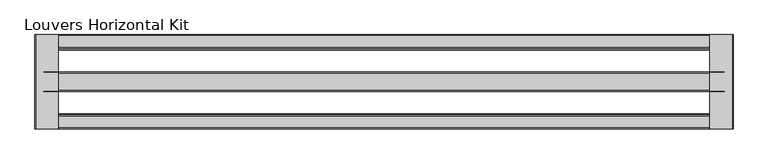
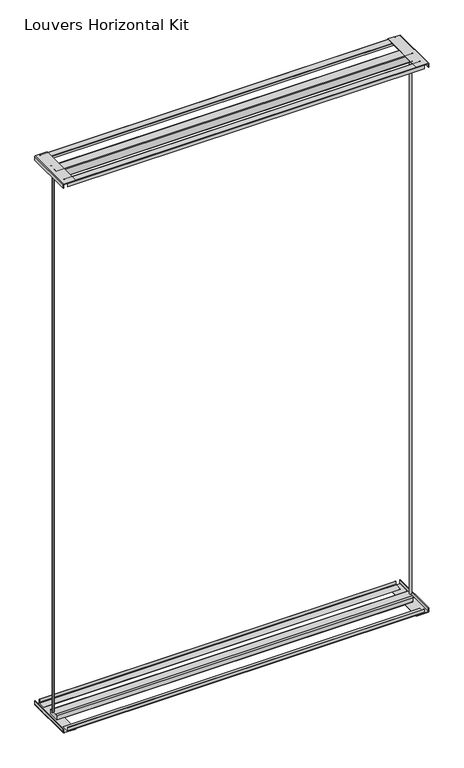
"""IFC4 building model written with IfcOpenShell, lengths in millimetres: proxy geometry, Louvers Horizontal Kit."""

from ifc_helpers import new_model, si_unit, point, frame, frame_2d, origin, place, context, project, spatial, polyline, circle_curve, trimmed, segment, composite_curve, outline, extrude, source, transform, mapped, element, save
from ifc_brep_helpers import plane_surface, extruded_surface, spline_curve, advanced_brep


def louvers_horizontal_kit_1805ac82(model_context):
    return source(origin(), model_context, "Body", "SolidModel", [
        advanced_brep(
        [(-1083.5080688, 120.8643375, 3016.9358), (-1089.8410766, 120.8643375, 3016.9358), (-1083.5080688, 120.8643375, 31.115), (-1089.8410766, 120.8643375, 31.115)],
        [
            (0, 1, spline_curve(3, [(-1083.5080688, 120.8643375, 3016.9358), (-1082.646431651, 120.8643375, 3016.9358), (-1082.892938619, 122.678814497, 3016.9358), (-1082.470795677, 125.557771507, 3016.9358), (-1081.497296601, 126.219830558, 3016.9358), (-1080.193051679, 125.472512128, 3016.9358), (-1079.774695585, 124.437044374, 3016.9358), (-1079.011853267, 122.876749386, 3016.9358), (-1078.672639749, 122.28921433, 3016.9358), (-1078.083039441, 121.966510283, 3016.9358), (-1077.827697432, 122.166468989, 3016.9358), (-1077.688906304, 123.158462727, 3016.9358), (-1077.863673111, 124.030851771, 3016.9358), (-1078.661391369, 125.815290115, 3016.9358), (-1079.403866149, 126.65959334, 3016.9358), (-1081.186815359, 127.456197295, 3016.9358), (-1082.20808438, 127.456197285, 3016.9358), (-1083.891989813, 126.93883953, 3016.9358), (-1084.548862942, 126.413516951, 3016.9358), (-1085.606712359, 124.849776593, 3016.9358), (-1086.031832089, 123.956570953, 3016.9358), (-1086.856038916, 122.979614008, 3016.9358), (-1087.254345323, 122.834642391, 3016.9358), (-1087.865022803, 123.317250084, 3016.9358), (-1088.093448578, 123.690551025, 3016.9358), (-1088.626755292, 124.050596217, 3016.9358), (-1088.91503674, 123.762314832, 3016.9358), (-1090.001641567, 122.082377418, 3016.9358), (-1090.716158108, 120.8643375, 3016.9358), (-1089.8410766, 120.8643375, 3016.9358)], [4, 2, 2, 2, 2, 2, 2, 2, 2, 2, 2, 2, 2, 2, 4], [0.0, 0.008875458975060613, 0.020481200193104176, 0.029854806107422374, 0.03706210961387012, 0.04368861427224201, 0.051259934554953854, 0.06112024851948062, 0.07042349959220107, 0.079869975820476, 0.08715114258611921, 0.09382589082280558, 0.09814811090978548, 0.10456508278359171, 0.1100107556129994])),
            (1, 0),
            (2, 3),
            (3, 2, spline_curve(3, [(-1089.8410766, 120.8643375, 31.115), (-1090.716158108, 120.8643375, 31.115), (-1090.001641567, 122.082377418, 31.115), (-1088.91503674, 123.762314832, 31.115), (-1088.626755292, 124.050596217, 31.115), (-1088.093448578, 123.690551025, 31.115), (-1087.865022803, 123.317250084, 31.115), (-1087.254345323, 122.834642391, 31.115), (-1086.856038916, 122.979614008, 31.115), (-1086.031832089, 123.956570953, 31.115), (-1085.606712359, 124.849776593, 31.115), (-1084.548862942, 126.413516951, 31.115), (-1083.891989813, 126.93883953, 31.115), (-1082.20808438, 127.456197285, 31.115), (-1081.186815359, 127.456197295, 31.115), (-1079.403866149, 126.65959334, 31.115), (-1078.661391369, 125.815290115, 31.115), (-1077.863673111, 124.030851771, 31.115), (-1077.688906304, 123.158462727, 31.115), (-1077.827697432, 122.166468989, 31.115), (-1078.083039441, 121.966510283, 31.115), (-1078.672639749, 122.28921433, 31.115), (-1079.011853267, 122.876749386, 31.115), (-1079.774695585, 124.437044374, 31.115), (-1080.193051679, 125.472512128, 31.115), (-1081.497296601, 126.219830558, 31.115), (-1082.470795677, 125.557771507, 31.115), (-1082.892938619, 122.678814497, 31.115), (-1082.646431651, 120.8643375, 31.115), (-1083.5080688, 120.8643375, 31.115)], [4, 2, 2, 2, 2, 2, 2, 2, 2, 2, 2, 2, 2, 2, 4], [0.0, 0.005445672829407694, 0.011862644703213923, 0.01618486479019382, 0.022859613026880193, 0.0301407797925234, 0.039587256020798336, 0.04889050709351878, 0.05875082105804555, 0.0663221413407574, 0.07294864599912929, 0.08015594950557703, 0.08952955541989523, 0.10113529663793878, 0.1100107556129994])),
            (0, 2),
            (3, 1),
        ],
        [
            plane_surface(frame((-140.5124567, 122.4609375, 3016.9358), z_axis=(0.0, 0.0, 1.0), x_axis=(0.0, -1.0, 0.0))),
            plane_surface(frame((-140.5124567, 122.4609375, 31.115), z_axis=(0.0, 0.0, -1.0), x_axis=(0.0, -1.0, 0.0))),
            extruded_surface(spline_curve(3, [(-1083.5080688, 120.8643375, 31.115), (-1082.646431651, 120.8643375, 31.115), (-1082.892938619, 122.678814497, 31.115), (-1082.470795677, 125.557771507, 31.115), (-1081.497296601, 126.219830558, 31.115), (-1080.193051679, 125.472512128, 31.115), (-1079.774695585, 124.437044374, 31.115), (-1079.011853267, 122.876749386, 31.115), (-1078.672639749, 122.28921433, 31.115), (-1078.083039441, 121.966510283, 31.115), (-1077.827697432, 122.166468989, 31.115), (-1077.688906304, 123.158462727, 31.115), (-1077.863673111, 124.030851771, 31.115), (-1078.661391369, 125.815290115, 31.115), (-1079.403866149, 126.65959334, 31.115), (-1081.186815359, 127.456197295, 31.115), (-1082.20808438, 127.456197285, 31.115), (-1083.891989813, 126.93883953, 31.115), (-1084.548862942, 126.413516951, 31.115), (-1085.606712359, 124.849776593, 31.115), (-1086.031832089, 123.956570953, 31.115), (-1086.856038916, 122.979614008, 31.115), (-1087.254345323, 122.834642391, 31.115), (-1087.865022803, 123.317250084, 31.115), (-1088.093448578, 123.690551025, 31.115), (-1088.626755292, 124.050596217, 31.115), (-1088.91503674, 123.762314832, 31.115), (-1090.001641567, 122.082377418, 31.115), (-1090.716158108, 120.8643375, 31.115), (-1089.8410766, 120.8643375, 31.115)], [4, 2, 2, 2, 2, 2, 2, 2, 2, 2, 2, 2, 2, 2, 4], [0.0, 0.008875458975060613, 0.020481200193104176, 0.029854806107422374, 0.03706210961387012, 0.04368861427224201, 0.051259934554953854, 0.06112024851948062, 0.07042349959220107, 0.079869975820476, 0.08715114258611921, 0.09382589082280558, 0.09814811090978548, 0.10456508278359171, 0.1100107556129994]), (0.0, 0.0, 2985.8208000000004), 2985.8208000000004),
            plane_surface(frame((-1089.8410766, 120.8643375, 3016.9358), z_axis=(0.0, -1.0, 0.0), x_axis=(0.0, 0.0, -1.0))),
        ],
        [
            (0, [[1, 2]]),
            (1, [[3, 4]]),
            (2, [[-1, 5, -4, 6]]),
            (3, [[-2, -6, -3, -5]]),
        ],
    ),
        advanced_brep(
        [(802.4582152, 124.0575375, 3016.9358), (808.7912229, 124.0575375, 3016.9358), (802.4582152, 124.0575375, 31.115), (808.7912229, 124.0575375, 31.115)],
        [
            (0, 1, spline_curve(3, [(802.4582152, 124.0575375, 3016.9358), (801.596578051, 124.0575375, 3016.9358), (801.843085019, 122.243060503, 3016.9358), (801.420942077, 119.364103493, 3016.9358), (800.447443001, 118.702044442, 3016.9358), (799.143198079, 119.449362872, 3016.9358), (798.724841985, 120.484830626, 3016.9358), (797.961999667, 122.045125614, 3016.9358), (797.622786149, 122.63266067, 3016.9358), (797.033185841, 122.955364717, 3016.9358), (796.777843832, 122.755406011, 3016.9358), (796.639052704, 121.763412273, 3016.9358), (796.813819511, 120.891023229, 3016.9358), (797.611537769, 119.106584885, 3016.9358), (798.354012549, 118.26228166, 3016.9358), (800.136961759, 117.465677705, 3016.9358), (801.15823078, 117.465677715, 3016.9358), (802.842136213, 117.98303547, 3016.9358), (803.499009342, 118.508358049, 3016.9358), (804.556858759, 120.072098407, 3016.9358), (804.981978489, 120.965304047, 3016.9358), (805.806185316, 121.942260992, 3016.9358), (806.204491723, 122.087232609, 3016.9358), (806.815169203, 121.604624916, 3016.9358), (807.043594978, 121.231323975, 3016.9358), (807.576901692, 120.871278783, 3016.9358), (807.86518304, 121.159560168, 3016.9358), (808.951787867, 122.839497582, 3016.9358), (809.666304408, 124.0575375, 3016.9358), (808.7912229, 124.0575375, 3016.9358)], [4, 2, 2, 2, 2, 2, 2, 2, 2, 2, 2, 2, 2, 2, 4], [0.0, 0.008875458975060613, 0.020481200193104176, 0.029854806107422374, 0.03706210961387012, 0.04368861427224201, 0.051259934554953854, 0.06112024851948062, 0.07042349959220107, 0.079869975820476, 0.08715114258611921, 0.09382589082280558, 0.09814811090978548, 0.10456508278359171, 0.1100107556129994])),
            (1, 0),
            (2, 3),
            (3, 2, spline_curve(3, [(808.7912229, 124.0575375, 31.115), (809.666304408, 124.0575375, 31.115), (808.951787867, 122.839497582, 31.115), (807.86518304, 121.159560168, 31.115), (807.576901692, 120.871278783, 31.115), (807.043594978, 121.231323975, 31.115), (806.815169203, 121.604624916, 31.115), (806.204491723, 122.087232609, 31.115), (805.806185316, 121.942260992, 31.115), (804.981978489, 120.965304047, 31.115), (804.556858759, 120.072098407, 31.115), (803.499009342, 118.508358049, 31.115), (802.842136213, 117.98303547, 31.115), (801.15823078, 117.465677715, 31.115), (800.136961759, 117.465677705, 31.115), (798.354012549, 118.26228166, 31.115), (797.611537769, 119.106584885, 31.115), (796.813819511, 120.891023229, 31.115), (796.639052704, 121.763412273, 31.115), (796.777843832, 122.755406011, 31.115), (797.033185841, 122.955364717, 31.115), (797.622786149, 122.63266067, 31.115), (797.961999667, 122.045125614, 31.115), (798.724841985, 120.484830626, 31.115), (799.143198079, 119.449362872, 31.115), (800.447443001, 118.702044442, 31.115), (801.420942077, 119.364103493, 31.115), (801.843085019, 122.243060503, 31.115), (801.596578051, 124.0575375, 31.115), (802.4582152, 124.0575375, 31.115)], [4, 2, 2, 2, 2, 2, 2, 2, 2, 2, 2, 2, 2, 2, 4], [0.0, 0.005445672829407694, 0.011862644703213923, 0.01618486479019382, 0.022859613026880193, 0.0301407797925234, 0.039587256020798336, 0.04889050709351878, 0.05875082105804555, 0.0663221413407574, 0.07294864599912929, 0.08015594950557703, 0.08952955541989523, 0.10113529663793878, 0.1100107556129994])),
            (0, 2),
            (3, 1),
        ],
        [
            plane_surface(frame((-140.5124567, 122.4609375, 3016.9358), z_axis=(0.0, 0.0, 1.0), x_axis=(0.0, -1.0, 0.0))),
            plane_surface(frame((-140.5124567, 122.4609375, 31.115), z_axis=(0.0, 0.0, -1.0), x_axis=(0.0, -1.0, 0.0))),
            extruded_surface(spline_curve(3, [(802.4582152, 124.0575375, 31.115), (801.596578051, 124.0575375, 31.115), (801.843085019, 122.243060503, 31.115), (801.420942077, 119.364103493, 31.115), (800.447443001, 118.702044442, 31.115), (799.143198079, 119.449362872, 31.115), (798.724841985, 120.484830626, 31.115), (797.961999667, 122.045125614, 31.115), (797.622786149, 122.63266067, 31.115), (797.033185841, 122.955364717, 31.115), (796.777843832, 122.755406011, 31.115), (796.639052704, 121.763412273, 31.115), (796.813819511, 120.891023229, 31.115), (797.611537769, 119.106584885, 31.115), (798.354012549, 118.26228166, 31.115), (800.136961759, 117.465677705, 31.115), (801.15823078, 117.465677715, 31.115), (802.842136213, 117.98303547, 31.115), (803.499009342, 118.508358049, 31.115), (804.556858759, 120.072098407, 31.115), (804.981978489, 120.965304047, 31.115), (805.806185316, 121.942260992, 31.115), (806.204491723, 122.087232609, 31.115), (806.815169203, 121.604624916, 31.115), (807.043594978, 121.231323975, 31.115), (807.576901692, 120.871278783, 31.115), (807.86518304, 121.159560168, 31.115), (808.951787867, 122.839497582, 31.115), (809.666304408, 124.0575375, 31.115), (808.7912229, 124.0575375, 31.115)], [4, 2, 2, 2, 2, 2, 2, 2, 2, 2, 2, 2, 2, 2, 4], [0.0, 0.008875458975060613, 0.020481200193104176, 0.029854806107422374, 0.03706210961387012, 0.04368861427224201, 0.051259934554953854, 0.06112024851948062, 0.07042349959220107, 0.079869975820476, 0.08715114258611921, 0.09382589082280558, 0.09814811090978548, 0.10456508278359171, 0.1100107556129994]), (0.0, 0.0, 2985.8208000000004), 2985.8208000000004),
            plane_surface(frame((808.7912229, 124.0575375, 3016.9358), z_axis=(0.0, 1.0, 0.0), x_axis=(0.0, 0.0, -1.0))),
        ],
        [
            (0, [[1, 2]]),
            (1, [[3, 4]]),
            (2, [[-1, 5, -4, 6]]),
            (3, [[-2, -6, -3, -5]]),
        ],
    ),
        extrude(outline(composite_curve([segment(polyline([(3057.8565742, -1105.7124567), (3038.475, -1105.7124567), (3038.475, -1104.1249567), (3058.2567188, -1104.1249567)]), True, "CONTINUOUS"), segment(trimmed(circle_curve(frame_2d((3058.2567188, -1103.2691755)), 0.8557812), [point((3058.2567188, -1104.1249567))], [point((3059.1125, -1103.2691755))], True, "CARTESIAN"), True, "CONTINUOUS"), segment(polyline([(3059.1125, -1103.2691755), (3059.1125, -1040.6249567), (3060.7, -1040.6249567), (3060.7, -1102.8690309)]), True, "CONTINUOUS"), segment(trimmed(circle_curve(frame_2d((3057.8565742, -1102.8690309)), 2.8434258), [point((3060.7, -1102.8690309))], [point((3057.8565742, -1105.7124567))], False, "CARTESIAN"), True, "CONTINUOUS")], self_intersect=False)), frame((0.0, -7.7140625, 0.0), z_axis=(0.0, 1.0, 0.0), x_axis=(0.0, 0.0, 1.0)), (0.0, 0.0, 1.0), 260.35),
        extrude(outline(composite_curve([segment(trimmed(circle_curve(frame_2d((3058.0053761, 821.9929194)), 1.1071239), [point((3059.1125, 821.9929194))], [point((3058.0053761, 823.1000433))], True, "CARTESIAN"), True, "CONTINUOUS"), segment(polyline([(3058.0053761, 823.1000433), (3038.475, 823.1000433), (3038.475, 824.6875433), (3058.0291953, 824.6875433)]), True, "CONTINUOUS"), segment(trimmed(circle_curve(frame_2d((3058.0291953, 822.0167386)), 2.6708047), [point((3058.0291953, 824.6875433))], [point((3060.7, 822.0167386))], False, "CARTESIAN"), True, "CONTINUOUS"), segment(polyline([(3060.7, 822.0167386), (3060.7, 759.6000433), (3059.1125, 759.6000433), (3059.1125, 821.9929194)]), True, "CONTINUOUS")], self_intersect=False)), frame((0.0, -7.7140625, 0.0), z_axis=(0.0, 1.0, 0.0), x_axis=(0.0, 0.0, 1.0)), (0.0, 0.0, 1.0), 260.35),
        extrude(outline(composite_curve([segment(polyline([(22.225, -1104.1249567), (22.225, -1105.7124567), (2.6985254, -1105.7124567)]), True, "CONTINUOUS"), segment(trimmed(circle_curve(frame_2d((2.6985254, -1103.0139313)), 2.6985254), [point((2.6985254, -1105.7124567))], [point((0.0, -1103.0139313))], False, "CARTESIAN"), True, "CONTINUOUS"), segment(polyline([(0.0, -1103.0139313), (0.0, -1040.6249567), (1.5875, -1040.6249567), (1.5875, -1103.0071948)]), True, "CONTINUOUS"), segment(trimmed(circle_curve(frame_2d((2.7052619, -1103.0071948)), 1.1177619), [point((1.5875, -1103.0071948))], [point((2.7052619, -1104.1249567))], True, "CARTESIAN"), True, "CONTINUOUS"), segment(polyline([(2.7052619, -1104.1249567), (22.225, -1104.1249567)]), True, "CONTINUOUS")], self_intersect=False)), frame((0.0, -7.7140625, 0.0), z_axis=(0.0, 1.0, 0.0), x_axis=(0.0, 0.0, 1.0)), (0.0, 0.0, 1.0), 260.35),
        extrude(outline(composite_curve([segment(polyline([(1.5875, 759.6000433), (0.0, 759.6000433), (0.0, 821.6913593)]), True, "CONTINUOUS"), segment(trimmed(circle_curve(frame_2d((2.996184, 821.6913593)), 2.996184), [point((0.0, 821.6913593))], [point((2.996184, 824.6875433))], False, "CARTESIAN"), True, "CONTINUOUS"), segment(polyline([(2.996184, 824.6875433), (22.225, 824.6875433), (22.225, 823.1000433), (2.6812433, 823.1000433)]), True, "CONTINUOUS"), segment(trimmed(circle_curve(frame_2d((2.6812433, 822.0062999)), 1.0937433), [point((2.6812433, 823.1000433))], [point((1.5875, 822.0062999))], True, "CARTESIAN"), True, "CONTINUOUS"), segment(polyline([(1.5875, 822.0062999), (1.5875, 759.6000433)]), True, "CONTINUOUS")], self_intersect=False)), frame((0.0, -7.7140625, 0.0), z_axis=(0.0, 1.0, 0.0), x_axis=(0.0, 0.0, 1.0)), (0.0, 0.0, 1.0), 260.35),
        extrude(outline(composite_curve([segment(polyline([(251.4167375, 3038.2837), (251.4167375, 3056.8957431)]), True, "CONTINUOUS"), segment(trimmed(circle_curve(frame_2d((250.3556806, 3056.8957431)), 1.0610569), [point((251.4167375, 3056.8957431))], [point((250.3556806, 3057.9568))], True, "CARTESIAN"), True, "CONTINUOUS"), segment(polyline([(250.3556806, 3057.9568), (217.0862316, 3057.9568)]), True, "CONTINUOUS"), segment(trimmed(circle_curve(frame_2d((217.0862316, 3057.0067059)), 0.9500941), [point((217.0862316, 3057.9568))], [point((216.1361375, 3057.0067059))], True, "CARTESIAN"), True, "CONTINUOUS"), segment(polyline([(216.1361375, 3057.0067059), (216.1361375, 3046.476), (214.9169375, 3046.476), (214.9169375, 3056.9663772)]), True, "CONTINUOUS"), segment(trimmed(circle_curve(frame_2d((217.1265603, 3056.9663772)), 2.2096228), [point((214.9169375, 3056.9663772))], [point((217.1265603, 3059.176))], False, "CARTESIAN"), True, "CONTINUOUS"), segment(polyline([(217.1265603, 3059.176), (250.3692739, 3059.176)]), True, "CONTINUOUS"), segment(trimmed(circle_curve(frame_2d((250.3692739, 3056.9093364)), 2.2666636), [point((250.3692739, 3059.176))], [point((252.6359375, 3056.9093364))], False, "CARTESIAN"), True, "CONTINUOUS"), segment(polyline([(252.6359375, 3056.9093364), (252.6359375, 3038.2837), (251.4167375, 3038.2837)]), True, "CONTINUOUS")], self_intersect=False)), frame((-1081.9126567, 0.0, 0.0), z_axis=(1.0, 0.0, 0.0), x_axis=(0.0, 1.0, 0.0)), (0.0, 0.0, 1.0), 1882.8004),
        extrude(outline(composite_curve([segment(trimmed(circle_curve(frame_2d((147.1993917, 3058.0115342)), 2.6884658), [point((147.1993917, 3060.7))], [point((149.8878575, 3058.0115342))], False, "CARTESIAN"), True, "CONTINUOUS"), segment(polyline([(149.8878575, 3058.0115342), (149.8878575, 3021.8509875)]), True, "CONTINUOUS"), segment(trimmed(circle_curve(frame_2d((144.97267, 3021.8509875)), 4.9151875), [point((149.8878575, 3021.8509875))], [point((144.97267, 3016.9358))], False, "CARTESIAN"), True, "CONTINUOUS"), segment(polyline([(144.97267, 3016.9358), (97.7410837, 3016.9358)]), True, "CONTINUOUS"), segment(trimmed(circle_curve(frame_2d((97.7410837, 3019.6428662)), 2.7070662), [point((97.7410837, 3016.9358))], [point((95.0340175, 3019.6428662))], False, "CARTESIAN"), True, "CONTINUOUS"), segment(polyline([(95.0340175, 3019.6428662), (95.0340175, 3057.9567899)]), True, "CONTINUOUS"), segment(trimmed(circle_curve(frame_2d((97.7772276, 3057.9567899)), 2.7432101), [point((95.0340175, 3057.9567899))], [point((97.7772276, 3060.7))], False, "CARTESIAN"), True, "CONTINUOUS"), segment(polyline([(97.7772276, 3060.7), (147.1993917, 3060.7)]), True, "CONTINUOUS")], self_intersect=False)), frame((-1081.9126567, 0.0, 0.0), z_axis=(1.0, 0.0, 0.0), x_axis=(0.0, 1.0, 0.0)), (0.0, 0.0, 1.0), 1882.8004),
        extrude(outline(composite_curve([segment(trimmed(circle_curve(frame_2d((27.7925673, 3056.9636298)), 2.2123702), [point((27.7925673, 3059.176))], [point((30.0049375, 3056.9636298))], False, "CARTESIAN"), True, "CONTINUOUS"), segment(polyline([(30.0049375, 3056.9636298), (30.0049375, 3046.476), (28.7857375, 3046.476), (28.7857375, 3056.9123345)]), True, "CONTINUOUS"), segment(trimmed(circle_curve(frame_2d((27.741272, 3056.9123345)), 1.0444655), [point((28.7857375, 3056.9123345))], [point((27.741272, 3057.9568))], True, "CARTESIAN"), True, "CONTINUOUS"), segment(polyline([(27.741272, 3057.9568), (-5.426417, 3057.9568)]), True, "CONTINUOUS"), segment(trimmed(circle_curve(frame_2d((-5.426417, 3056.8883545)), 1.0684455), [point((-5.426417, 3057.9568))], [point((-6.4948625, 3056.8883545))], True, "CARTESIAN"), True, "CONTINUOUS"), segment(polyline([(-6.4948625, 3056.8883545), (-6.4948625, 3038.2837), (-7.7140625, 3038.2837), (-7.7140625, 3057.0781083)]), True, "CONTINUOUS"), segment(trimmed(circle_curve(frame_2d((-5.6161708, 3057.0781083)), 2.0978917), [point((-7.7140625, 3057.0781083))], [point((-5.6161708, 3059.176))], False, "CARTESIAN"), True, "CONTINUOUS"), segment(polyline([(-5.6161708, 3059.176), (27.7925673, 3059.176)]), True, "CONTINUOUS")], self_intersect=False)), frame((-1081.9126567, 0.0, 0.0), z_axis=(1.0, 0.0, 0.0), x_axis=(0.0, 1.0, 0.0)), (0.0, 0.0, 1.0), 1882.8004),
        extrude(outline(composite_curve([segment(polyline([(-3.7463885, 3.04292), (33.5609375, 3.04292), (33.5609375, 1.524), (-3.7920205, 1.524)]), True, "CONTINUOUS"), segment(trimmed(circle_curve(frame_2d((-3.7920205, 5.446042)), 3.922042), [point((-3.7920205, 1.524))], [point((-7.7140625, 5.446042))], False, "CARTESIAN"), True, "CONTINUOUS"), segment(polyline([(-7.7140625, 5.446042), (-7.7140625, 22.1615), (-6.1951425, 22.1615), (-6.1951425, 5.491674)]), True, "CONTINUOUS"), segment(trimmed(circle_curve(frame_2d((-3.7463885, 5.491674)), 2.448754), [point((-6.1951425, 5.491674))], [point((-3.7463885, 3.04292))], True, "CARTESIAN"), True, "CONTINUOUS")], self_intersect=False)), frame((-1081.9126567, 0.0, 0.0), z_axis=(1.0, 0.0, 0.0), x_axis=(0.0, 1.0, 0.0)), (0.0, 0.0, 1.0), 1882.8004),
        extrude(outline(composite_curve([segment(trimmed(circle_curve(frame_2d((101.6888175, 24.765)), 6.35), [point((95.3388175, 24.765))], [point((101.6888175, 31.115))], False, "CARTESIAN"), True, "CONTINUOUS"), segment(polyline([(101.6888175, 31.115), (143.2330575, 31.115)]), True, "CONTINUOUS"), segment(trimmed(circle_curve(frame_2d((143.2330575, 24.765)), 6.35), [point((143.2330575, 31.115))], [point((149.5830575, 24.765))], False, "CARTESIAN"), True, "CONTINUOUS"), segment(polyline([(149.5830575, 24.765), (149.5830575, 1.7671503)]), True, "CONTINUOUS"), segment(trimmed(circle_curve(frame_2d((147.8159072, 1.7671503)), 1.7671503), [point((149.5830575, 1.7671503))], [point((147.8159072, 0.0))], False, "CARTESIAN"), True, "CONTINUOUS"), segment(polyline([(147.8159072, 0.0), (97.1991443, 0.0)]), True, "CONTINUOUS"), segment(trimmed(circle_curve(frame_2d((97.1991443, 1.8603268)), 1.8603268), [point((97.1991443, 0.0))], [point((95.3388175, 1.8603268))], False, "CARTESIAN"), True, "CONTINUOUS"), segment(polyline([(95.3388175, 1.8603268), (95.3388175, 24.765)]), True, "CONTINUOUS")], self_intersect=False)), frame((-1081.9126567, 0.0, 0.0), z_axis=(1.0, 0.0, 0.0), x_axis=(0.0, 1.0, 0.0)), (0.0, 0.0, 1.0), 1882.8004),
        extrude(outline(composite_curve([segment(polyline([(211.3609375, 3.04292), (248.7131659, 3.04292)]), True, "CONTINUOUS"), segment(trimmed(circle_curve(frame_2d((248.7131659, 5.4467716)), 2.4038516), [point((248.7131659, 3.04292))], [point((251.1170175, 5.4467716))], True, "CARTESIAN"), True, "CONTINUOUS"), segment(polyline([(251.1170175, 5.4467716), (251.1170175, 22.1615), (252.6359375, 22.1615), (252.6359375, 5.4526681)]), True, "CONTINUOUS"), segment(trimmed(circle_curve(frame_2d((248.7072694, 5.4526681)), 3.9286681), [point((252.6359375, 5.4526681))], [point((248.7072694, 1.524))], False, "CARTESIAN"), True, "CONTINUOUS"), segment(polyline([(248.7072694, 1.524), (211.3609375, 1.524), (211.3609375, 3.04292)]), True, "CONTINUOUS")], self_intersect=False)), frame((-1081.9126567, 0.0, 0.0), z_axis=(1.0, 0.0, 0.0), x_axis=(0.0, 1.0, 0.0)), (0.0, 0.0, 1.0), 1882.8004),
    ])


if __name__ == "__main__":
    model = new_model("IFC4")
    model_context = context("Model", 3, world=origin())
    ifc_project = project(units=[si_unit("LENGTHUNIT", "METRE", prefix="MILLI")], contexts=[model_context])
    site = spatial("IfcSite", under=ifc_project)
    building = spatial("IfcBuilding", under=site)
    placement = place(None, origin())
    louvers_horizontal_kit_shape = louvers_horizontal_kit_1805ac82(model_context)
    element("IfcBuildingElementProxy", 1, Name="Louvers Horizontal Kit", ObjectType="Louvers Horizontal Kit", at=placement, inside=building, context=model_context, shape_type="MappedRepresentation", body=[
        mapped(louvers_horizontal_kit_shape, transform((0.0, 0.0, 0.0), x_axis=(1.0, 0.0, 0.0), y_axis=(0.0, 1.0, 0.0), z_axis=(0.0, 0.0, 1.0))),
    ])
    save(model, "model.ifc")
